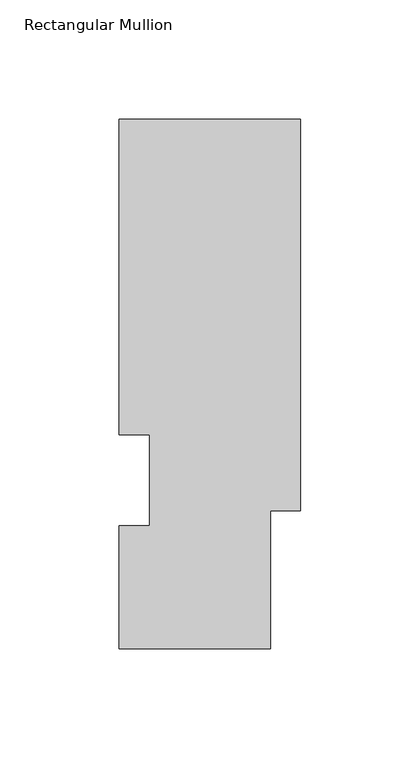
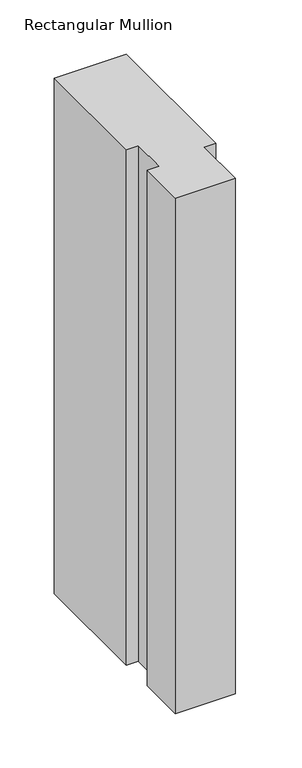
"""IFC4 building model written with IfcOpenShell, lengths in millimetres: member geometry, Rectangular Mullion."""

from ifc_helpers import new_model, si_unit, frame, origin, place, context, project, spatial, polyline, outline, extrude, source, transform, mapped, element, save


def rectangular_mullion_fd686aee(model_context):
    return source(origin(), model_context, "Body", "SweptSolid", [
        extrude(outline(polyline([(-76.2000004, 221.9539313), (0.0, 221.9539313), (0.0, 57.8445312), (-12.7000002, 57.8445312), (-12.7000002, 0.041758), (-76.2000002, 0.041758), (-76.2000002, 51.4945312), (-63.4943327, 51.4945312), (-63.4943327, 89.5945313), (-76.2000004, 89.5945313), (-76.2000004, 221.9539313)])), frame((0.0, 0.0, -577.8499998), z_axis=(0.0, 0.0, 1.0), x_axis=(1.0, 0.0, 0.0)), (0.0, 0.0, 1.0), 577.8499998),
    ])


if __name__ == "__main__":
    model = new_model("IFC4")
    model_context = context("Model", 3, world=origin())
    ifc_project = project(units=[si_unit("LENGTHUNIT", "METRE", prefix="MILLI")], contexts=[model_context])
    site = spatial("IfcSite", under=ifc_project)
    building = spatial("IfcBuilding", under=site)
    placement = place(None, origin())
    rectangular_mullion_shape = rectangular_mullion_fd686aee(model_context)
    element("IfcMember", 1, ObjectType="Rectangular Mullion", at=placement, inside=building, context=model_context, shape_type="MappedRepresentation", body=[
        mapped(rectangular_mullion_shape, transform((0.0, 0.0, 0.0), x_axis=(1.0, 0.0, 0.0), y_axis=(0.0, 1.0, 0.0), z_axis=(0.0, 0.0, 1.0))),
    ])
    save(model, "model.ifc")
